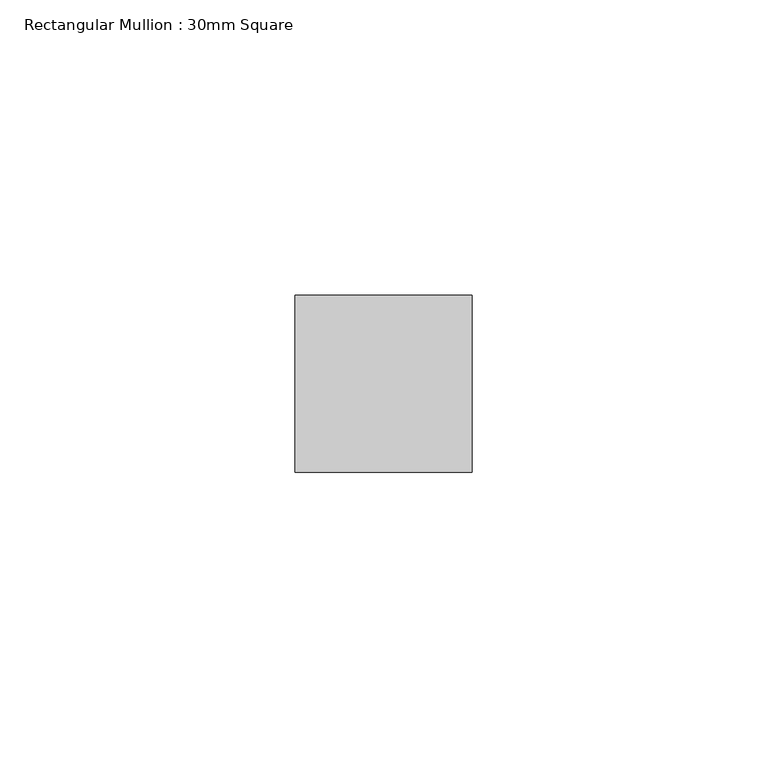
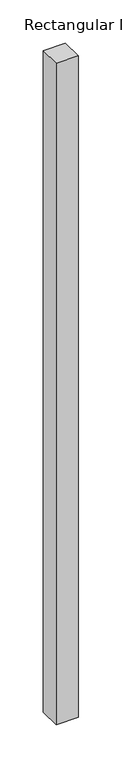
"""IFC4 building model written with IfcOpenShell, lengths in millimetres: member geometry, Rectangular Mullion : 30mm Square."""

from ifc_helpers import new_model, si_unit, frame, origin, place, context, project, spatial, polyline, outline, extrude, source, transform, mapped, element, save


def rectangular_mullion_30mm_square_2ecb64b1(model_context):
    return source(origin(), model_context, "Body", "SweptSolid", [
        extrude(outline(polyline([(15.0, 15.0), (15.0, -15.0), (-15.0, -15.0), (-15.0, 15.0), (15.0, 15.0)])), frame((0.0, 0.0, -936.9338703), z_axis=(0.0, 0.0, 1.0), x_axis=(1.0, 0.0, 0.0)), (0.0, 0.0, 1.0), 936.9338703),
    ])


if __name__ == "__main__":
    model = new_model("IFC4")
    model_context = context("Model", 3, world=origin())
    ifc_project = project(units=[si_unit("LENGTHUNIT", "METRE", prefix="MILLI")], contexts=[model_context])
    site = spatial("IfcSite", under=ifc_project)
    building = spatial("IfcBuilding", under=site)
    placement = place(None, origin())
    rectangular_mullion_30mm_square_shape = rectangular_mullion_30mm_square_2ecb64b1(model_context)
    element("IfcMember", 1, ObjectType="Rectangular Mullion : 30mm Square", at=placement, inside=building, context=model_context, shape_type="MappedRepresentation", body=[
        mapped(rectangular_mullion_30mm_square_shape, transform((0.0, 0.0, 0.0), x_axis=(1.0, 0.0, 0.0), y_axis=(0.0, 1.0, 0.0), z_axis=(0.0, 0.0, 1.0))),
    ])
    save(model, "model.ifc")
